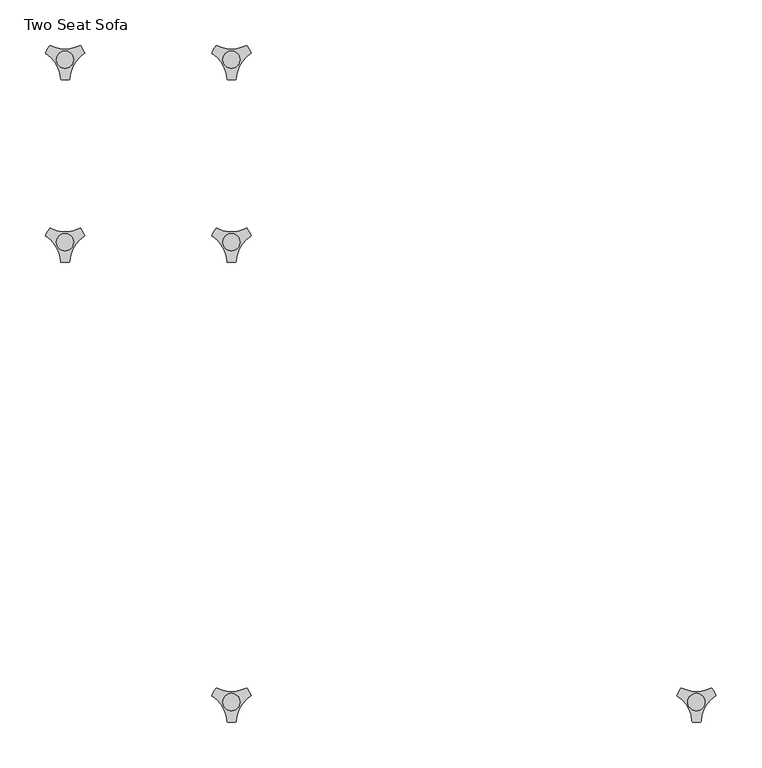
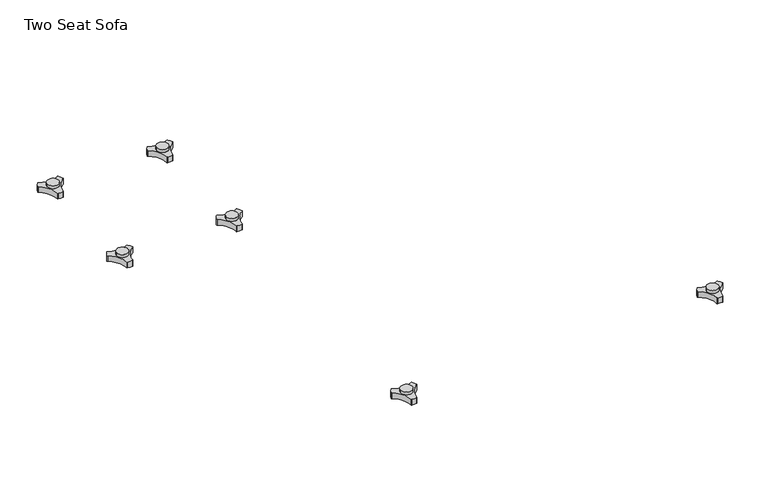
"""IFC4 building model written with IfcOpenShell, lengths in millimetres: furniture geometry, Two Seat Sofa."""

from ifc_helpers import new_model, si_unit, frame, origin, place, context, project, spatial, polyline, circle_curve, source, transform, mapped, element, save
from ifc_brep_helpers import plane_surface, cylinder_surface, revolved_surface, advanced_brep


def two_seat_sofa_53b7d27d(model_context):
    return source(origin(), model_context, "Body", "AdvancedBrep", [
        advanced_brep(
        [(883.5433829, -633.9963447, 98.611642), (879.3207947, -641.3100819, 98.611642), (879.7187435, -642.4761133, 98.611642), (895.5380143, -669.8758983, 98.611642), (896.3488478, -670.8035397, 98.611642), (904.7940264, -670.8035397, 98.611642), (905.5985546, -669.7137583, 98.611642), (921.7008076, -642.2119553, 98.611642), (921.8220847, -641.3100836, 98.611642), (917.5994947, -633.9963432, 98.611642), (916.3907113, -633.7579584, 98.611642), (884.7521628, -633.7579584, 98.611642), (909.9443136, -648.9168654, 98.611642), (891.0393017, -648.9168654, 98.611642), (883.5433829, -633.9963447, 88.6531552), (884.7521628, -633.7579584, 88.6531552), (916.3907113, -633.7579584, 88.6531552), (917.5994947, -633.9963432, 88.6531552), (921.8220847, -641.3100836, 88.6531552), (921.7008076, -642.2119553, 88.6531552), (905.5985546, -669.7137583, 88.6531552), (904.7940264, -670.8035397, 88.6531552), (896.3488478, -670.8035397, 88.6531552), (895.5380143, -669.8758983, 88.6531552), (879.7187435, -642.4761133, 88.6531552), (879.3207947, -641.3100819, 88.6531552), (891.0393017, -648.9168654, 103.6569541), (909.9443136, -648.9168654, 103.6569541)],
        [
            (0, 1, circle_curve(frame((901.8028709, -649.4142898, 98.611642), z_axis=(0.0, 0.0, 1.0), x_axis=(1.0, 0.0, 0.0)), 23.8981576)),
            (1, 2, circle_curve(frame((880.2483533, -641.6444428, 98.611642), z_axis=(0.0, 0.0, 1.0), x_axis=(1.0, 0.0, 0.0)), 0.9859828)),
            (2, 3, circle_curve(frame((861.3233736, -671.3632053, 98.611642), z_axis=(0.0, 0.0, -1.0), x_axis=(1.0, 0.0, 0.0)), 34.246952)),
            (3, 4, circle_curve(frame((896.5230576, -669.8330785, 98.611642), z_axis=(0.0, 0.0, 1.0), x_axis=(1.0, 0.0, 0.0)), 0.9859736)),
            (4, 5, circle_curve(frame((900.5714371, -647.2809943, 98.611642), z_axis=(0.0, 0.0, 1.0), x_axis=(1.0, 0.0, 0.0)), 23.8985439)),
            (5, 6, circle_curve(frame((904.6198145, -669.8330671, 98.611642), z_axis=(0.0, 0.0, 1.0), x_axis=(1.0, 0.0, 0.0)), 0.9859852)),
            (6, 7, circle_curve(frame((939.8202282, -671.285662, 98.611642), z_axis=(0.0, 0.0, -1.0), x_axis=(1.0, 0.0, 0.0)), 34.2577557)),
            (7, 8, circle_curve(frame((920.8945232, -641.644442, 98.611642), z_axis=(0.0, 0.0, 1.0), x_axis=(1.0, 0.0, 0.0)), 0.9859847)),
            (8, 9, circle_curve(frame((899.3403943, -649.4140667, 98.611642), z_axis=(0.0, 0.0, 1.0), x_axis=(1.0, 0.0, 0.0)), 23.8977184)),
            (9, 10, circle_curve(frame((916.8461485, -634.632458, 98.611642), z_axis=(0.0, 0.0, 1.0), x_axis=(1.0, 0.0, 0.0)), 0.9859881)),
            (10, 11, circle_curve(frame((900.5714371, -603.3828618, 98.611642), z_axis=(0.0, 0.0, -1.0), x_axis=(1.0, 0.0, 0.0)), 34.2475683)),
            (11, 0, circle_curve(frame((884.2967278, -634.632454, 98.611642), z_axis=(0.0, 0.0, 1.0), x_axis=(1.0, 0.0, 0.0)), 0.9859835)),
            (12, 13, circle_curve(frame((900.4918076, -648.9168654, 98.611642), z_axis=(0.0, 0.0, -1.0), x_axis=(1.0, 0.0, 0.0)), 9.452506)),
            (13, 12, circle_curve(frame((900.4918076, -648.9168654, 98.611642), z_axis=(0.0, 0.0, -1.0), x_axis=(1.0, 0.0, 0.0)), 9.452506)),
            (14, 15, circle_curve(frame((884.2967278, -634.632454, 88.6531552), z_axis=(0.0, 0.0, -1.0), x_axis=(1.0, 0.0, 0.0)), 0.9859835)),
            (15, 16, circle_curve(frame((900.5714371, -603.3828618, 88.6531552), z_axis=(0.0, 0.0, 1.0), x_axis=(1.0, 0.0, 0.0)), 34.2475683)),
            (16, 17, circle_curve(frame((916.8461485, -634.632458, 88.6531552), z_axis=(0.0, 0.0, -1.0), x_axis=(1.0, 0.0, 0.0)), 0.9859881)),
            (17, 18, circle_curve(frame((899.3403943, -649.4140667, 88.6531552), z_axis=(0.0, 0.0, -1.0), x_axis=(1.0, 0.0, 0.0)), 23.8977184)),
            (18, 19, circle_curve(frame((920.8945232, -641.644442, 88.6531552), z_axis=(0.0, 0.0, -1.0), x_axis=(1.0, 0.0, 0.0)), 0.9859847)),
            (19, 20, circle_curve(frame((939.8202282, -671.285662, 88.6531552), z_axis=(0.0, 0.0, 1.0), x_axis=(1.0, 0.0, 0.0)), 34.2577557)),
            (20, 21, circle_curve(frame((904.6198145, -669.8330671, 88.6531552), z_axis=(0.0, 0.0, -1.0), x_axis=(1.0, 0.0, 0.0)), 0.9859852)),
            (21, 22, circle_curve(frame((900.5714371, -647.2809943, 88.6531552), z_axis=(0.0, 0.0, -1.0), x_axis=(1.0, 0.0, 0.0)), 23.8985439)),
            (22, 23, circle_curve(frame((896.5230576, -669.8330785, 88.6531552), z_axis=(0.0, 0.0, -1.0), x_axis=(1.0, 0.0, 0.0)), 0.9859736)),
            (23, 24, circle_curve(frame((861.3233736, -671.3632053, 88.6531552), z_axis=(0.0, 0.0, 1.0), x_axis=(1.0, 0.0, 0.0)), 34.246952)),
            (24, 25, circle_curve(frame((880.2483533, -641.6444428, 88.6531552), z_axis=(0.0, 0.0, -1.0), x_axis=(1.0, 0.0, 0.0)), 0.9859828)),
            (25, 14, circle_curve(frame((901.8028709, -649.4142898, 88.6531552), z_axis=(0.0, 0.0, -1.0), x_axis=(1.0, 0.0, 0.0)), 23.8981576)),
            (26, 27, circle_curve(frame((900.4918076, -648.9168654, 103.6569541), z_axis=(0.0, 0.0, 1.0), x_axis=(1.0, 0.0, 0.0)), 9.452506)),
            (27, 26, circle_curve(frame((900.4918076, -648.9168654, 103.6569541), z_axis=(0.0, 0.0, 1.0), x_axis=(1.0, 0.0, 0.0)), 9.452506)),
            (0, 14),
            (25, 1),
            (24, 2),
            (23, 3),
            (22, 4),
            (21, 5),
            (20, 6),
            (19, 7),
            (18, 8),
            (17, 9),
            (16, 10),
            (15, 11),
            (26, 13),
            (12, 27),
        ],
        [
            plane_surface(frame((925.7010285, -649.4142898, 98.611642), z_axis=(0.0, 0.0, 1.0), x_axis=(0.0, 1.0, 0.0))),
            plane_surface(frame((925.7010285, -649.4142898, 88.6531552), z_axis=(0.0, 0.0, -1.0), x_axis=(0.0, -1.0, 0.0))),
            plane_surface(frame((909.9443136, -648.9168654, 103.6569541), z_axis=(0.0, 0.0, 1.0), x_axis=(0.0, 1.0, 0.0))),
            cylinder_surface(frame((901.8028709, -649.4142898, 88.6531552), z_axis=(0.0, 0.0, 1.0), x_axis=(1.0, 0.0, 0.0)), 23.8981576),
            cylinder_surface(frame((880.2483533, -641.6444428, 88.6531552), z_axis=(0.0, 0.0, 1.0), x_axis=(1.0, 0.0, 0.0)), 0.9859828),
            revolved_surface(polyline([(895.5703255999999, -671.3632053, 88.6531552), (895.5703255999999, -671.3632053, 98.611642)]), (861.3233736, -671.3632053, 88.6531552), (0.0, 0.0, -1.0)),
            cylinder_surface(frame((896.5230576, -669.8330785, 88.6531552), z_axis=(0.0, 0.0, 1.0), x_axis=(1.0, 0.0, 0.0)), 0.9859736),
            cylinder_surface(frame((900.5714371, -647.2809943, 88.6531552), z_axis=(0.0, 0.0, 1.0), x_axis=(1.0, 0.0, 0.0)), 23.8985439),
            cylinder_surface(frame((904.6198145, -669.8330671, 88.6531552), z_axis=(0.0, 0.0, 1.0), x_axis=(1.0, 0.0, 0.0)), 0.9859852),
            revolved_surface(polyline([(974.0779838999999, -671.285662, 88.6531552), (974.0779838999999, -671.285662, 98.611642)]), (939.8202282, -671.285662, 88.6531552), (0.0, 0.0, -1.0)),
            cylinder_surface(frame((920.8945232, -641.644442, 88.6531552), z_axis=(0.0, 0.0, 1.0), x_axis=(1.0, 0.0, 0.0)), 0.9859847),
            cylinder_surface(frame((899.3403943, -649.4140667, 88.6531552), z_axis=(0.0, 0.0, 1.0), x_axis=(1.0, 0.0, 0.0)), 23.8977184),
            cylinder_surface(frame((916.8461485, -634.632458, 88.6531552), z_axis=(0.0, 0.0, 1.0), x_axis=(1.0, 0.0, 0.0)), 0.9859881),
            revolved_surface(polyline([(934.8190054, -603.3828618, 88.6531552), (934.8190054, -603.3828618, 98.611642)]), (900.5714371, -603.3828618, 88.6531552), (0.0, 0.0, -1.0)),
            cylinder_surface(frame((884.2967278, -634.632454, 88.6531552), z_axis=(0.0, 0.0, 1.0), x_axis=(1.0, 0.0, 0.0)), 0.9859835),
            cylinder_surface(frame((900.4918076, -648.9168654, 98.611642), z_axis=(0.0, 0.0, 1.0), x_axis=(1.0, 0.0, 0.0)), 9.452506),
        ],
        [
            (0, [[1, 2, 3, 4, 5, 6, 7, 8, 9, 10, 11, 12], [13, 14]]),
            (1, [[15, 16, 17, 18, 19, 20, 21, 22, 23, 24, 25, 26]]),
            (2, [[27, 28]]),
            (3, [[-1, 29, -26, 30]]),
            (4, [[-2, -30, -25, 31]]),
            (5, [[-3, -31, -24, 32]]),
            (6, [[-4, -32, -23, 33]]),
            (7, [[-5, -33, -22, 34]]),
            (8, [[-6, -34, -21, 35]]),
            (9, [[-7, -35, -20, 36]]),
            (10, [[-8, -36, -19, 37]]),
            (11, [[-9, -37, -18, 38]]),
            (12, [[-10, -38, -17, 39]]),
            (13, [[-11, -39, -16, 40]]),
            (14, [[-12, -40, -15, -29]]),
            (15, [[-27, 41, -13, 42]]),
            (15, [[-28, -42, -14, -41]]),
        ],
    ),
        advanced_brep(
        [(373.838792, -633.9963447, 98.611642), (369.6162038, -641.3100819, 98.611642), (370.0141527, -642.4761133, 98.611642), (385.8334234, -669.8758983, 98.611642), (386.6442569, -670.8035397, 98.611642), (395.0894355, -670.8035397, 98.611642), (395.8939637, -669.7137583, 98.611642), (411.9962168, -642.2119553, 98.611642), (412.1174938, -641.3100836, 98.611642), (407.8949039, -633.9963432, 98.611642), (406.6861204, -633.7579584, 98.611642), (375.047572, -633.7579584, 98.611642), (400.2397227, -648.9168654, 98.611642), (381.3347108, -648.9168654, 98.611642), (373.838792, -633.9963447, 88.6531552), (375.047572, -633.7579584, 88.6531552), (406.6861204, -633.7579584, 88.6531552), (407.8949039, -633.9963432, 88.6531552), (412.1174938, -641.3100836, 88.6531552), (411.9962168, -642.2119553, 88.6531552), (395.8939637, -669.7137583, 88.6531552), (395.0894355, -670.8035397, 88.6531552), (386.6442569, -670.8035397, 88.6531552), (385.8334234, -669.8758983, 88.6531552), (370.0141527, -642.4761133, 88.6531552), (369.6162038, -641.3100819, 88.6531552), (381.3347108, -648.9168654, 103.6569541), (400.2397227, -648.9168654, 103.6569541)],
        [
            (0, 1, circle_curve(frame((392.09828, -649.4142898, 98.611642), z_axis=(0.0, 0.0, 1.0), x_axis=(1.0, 0.0, 0.0)), 23.8981576)),
            (1, 2, circle_curve(frame((370.5437624, -641.6444428, 98.611642), z_axis=(0.0, 0.0, 1.0), x_axis=(1.0, 0.0, 0.0)), 0.9859828)),
            (2, 3, circle_curve(frame((351.6187827, -671.3632053, 98.611642), z_axis=(0.0, 0.0, -1.0), x_axis=(1.0, 0.0, 0.0)), 34.246952)),
            (3, 4, circle_curve(frame((386.8184668, -669.8330785, 98.611642), z_axis=(0.0, 0.0, 1.0), x_axis=(1.0, 0.0, 0.0)), 0.9859736)),
            (4, 5, circle_curve(frame((390.8668462, -647.2809943, 98.611642), z_axis=(0.0, 0.0, 1.0), x_axis=(1.0, 0.0, 0.0)), 23.8985439)),
            (5, 6, circle_curve(frame((394.9152236, -669.8330671, 98.611642), z_axis=(0.0, 0.0, 1.0), x_axis=(1.0, 0.0, 0.0)), 0.9859852)),
            (6, 7, circle_curve(frame((430.1156373, -671.285662, 98.611642), z_axis=(0.0, 0.0, -1.0), x_axis=(1.0, 0.0, 0.0)), 34.2577557)),
            (7, 8, circle_curve(frame((411.1899324, -641.644442, 98.611642), z_axis=(0.0, 0.0, 1.0), x_axis=(1.0, 0.0, 0.0)), 0.9859847)),
            (8, 9, circle_curve(frame((389.6358034, -649.4140667, 98.611642), z_axis=(0.0, 0.0, 1.0), x_axis=(1.0, 0.0, 0.0)), 23.8977184)),
            (9, 10, circle_curve(frame((407.1415576, -634.632458, 98.611642), z_axis=(0.0, 0.0, 1.0), x_axis=(1.0, 0.0, 0.0)), 0.9859881)),
            (10, 11, circle_curve(frame((390.8668462, -603.3828618, 98.611642), z_axis=(0.0, 0.0, -1.0), x_axis=(1.0, 0.0, 0.0)), 34.2475683)),
            (11, 0, circle_curve(frame((374.5921369, -634.632454, 98.611642), z_axis=(0.0, 0.0, 1.0), x_axis=(1.0, 0.0, 0.0)), 0.9859835)),
            (12, 13, circle_curve(frame((390.7872168, -648.9168654, 98.611642), z_axis=(0.0, 0.0, -1.0), x_axis=(1.0, 0.0, 0.0)), 9.452506)),
            (13, 12, circle_curve(frame((390.7872168, -648.9168654, 98.611642), z_axis=(0.0, 0.0, -1.0), x_axis=(1.0, 0.0, 0.0)), 9.452506)),
            (14, 15, circle_curve(frame((374.5921369, -634.632454, 88.6531552), z_axis=(0.0, 0.0, -1.0), x_axis=(1.0, 0.0, 0.0)), 0.9859835)),
            (15, 16, circle_curve(frame((390.8668462, -603.3828618, 88.6531552), z_axis=(0.0, 0.0, 1.0), x_axis=(1.0, 0.0, 0.0)), 34.2475683)),
            (16, 17, circle_curve(frame((407.1415576, -634.632458, 88.6531552), z_axis=(0.0, 0.0, -1.0), x_axis=(1.0, 0.0, 0.0)), 0.9859881)),
            (17, 18, circle_curve(frame((389.6358034, -649.4140667, 88.6531552), z_axis=(0.0, 0.0, -1.0), x_axis=(1.0, 0.0, 0.0)), 23.8977184)),
            (18, 19, circle_curve(frame((411.1899324, -641.644442, 88.6531552), z_axis=(0.0, 0.0, -1.0), x_axis=(1.0, 0.0, 0.0)), 0.9859847)),
            (19, 20, circle_curve(frame((430.1156373, -671.285662, 88.6531552), z_axis=(0.0, 0.0, 1.0), x_axis=(1.0, 0.0, 0.0)), 34.2577557)),
            (20, 21, circle_curve(frame((394.9152236, -669.8330671, 88.6531552), z_axis=(0.0, 0.0, -1.0), x_axis=(1.0, 0.0, 0.0)), 0.9859852)),
            (21, 22, circle_curve(frame((390.8668462, -647.2809943, 88.6531552), z_axis=(0.0, 0.0, -1.0), x_axis=(1.0, 0.0, 0.0)), 23.8985439)),
            (22, 23, circle_curve(frame((386.8184668, -669.8330785, 88.6531552), z_axis=(0.0, 0.0, -1.0), x_axis=(1.0, 0.0, 0.0)), 0.9859736)),
            (23, 24, circle_curve(frame((351.6187827, -671.3632053, 88.6531552), z_axis=(0.0, 0.0, 1.0), x_axis=(1.0, 0.0, 0.0)), 34.246952)),
            (24, 25, circle_curve(frame((370.5437624, -641.6444428, 88.6531552), z_axis=(0.0, 0.0, -1.0), x_axis=(1.0, 0.0, 0.0)), 0.9859828)),
            (25, 14, circle_curve(frame((392.09828, -649.4142898, 88.6531552), z_axis=(0.0, 0.0, -1.0), x_axis=(1.0, 0.0, 0.0)), 23.8981576)),
            (26, 27, circle_curve(frame((390.7872168, -648.9168654, 103.6569541), z_axis=(0.0, 0.0, 1.0), x_axis=(1.0, 0.0, 0.0)), 9.452506)),
            (27, 26, circle_curve(frame((390.7872168, -648.9168654, 103.6569541), z_axis=(0.0, 0.0, 1.0), x_axis=(1.0, 0.0, 0.0)), 9.452506)),
            (0, 14),
            (25, 1),
            (24, 2),
            (23, 3),
            (22, 4),
            (21, 5),
            (20, 6),
            (19, 7),
            (18, 8),
            (17, 9),
            (16, 10),
            (15, 11),
            (26, 13),
            (12, 27),
        ],
        [
            plane_surface(frame((415.9964377, -649.4142898, 98.611642), z_axis=(0.0, 0.0, 1.0), x_axis=(0.0, 1.0, 0.0))),
            plane_surface(frame((415.9964377, -649.4142898, 88.6531552), z_axis=(0.0, 0.0, -1.0), x_axis=(0.0, -1.0, 0.0))),
            plane_surface(frame((400.2397227, -648.9168654, 103.6569541), z_axis=(0.0, 0.0, 1.0), x_axis=(0.0, 1.0, 0.0))),
            cylinder_surface(frame((392.09828, -649.4142898, 88.6531552), z_axis=(0.0, 0.0, 1.0), x_axis=(1.0, 0.0, 0.0)), 23.8981576),
            cylinder_surface(frame((370.5437624, -641.6444428, 88.6531552), z_axis=(0.0, 0.0, 1.0), x_axis=(1.0, 0.0, 0.0)), 0.9859828),
            revolved_surface(polyline([(385.8657347, -671.3632053, 88.6531552), (385.8657347, -671.3632053, 98.611642)]), (351.6187827, -671.3632053, 88.6531552), (0.0, 0.0, -1.0)),
            cylinder_surface(frame((386.8184668, -669.8330785, 88.6531552), z_axis=(0.0, 0.0, 1.0), x_axis=(1.0, 0.0, 0.0)), 0.9859736),
            cylinder_surface(frame((390.8668462, -647.2809943, 88.6531552), z_axis=(0.0, 0.0, 1.0), x_axis=(1.0, 0.0, 0.0)), 23.8985439),
            cylinder_surface(frame((394.9152236, -669.8330671, 88.6531552), z_axis=(0.0, 0.0, 1.0), x_axis=(1.0, 0.0, 0.0)), 0.9859852),
            revolved_surface(polyline([(464.373393, -671.285662, 88.6531552), (464.373393, -671.285662, 98.611642)]), (430.1156373, -671.285662, 88.6531552), (0.0, 0.0, -1.0)),
            cylinder_surface(frame((411.1899324, -641.644442, 88.6531552), z_axis=(0.0, 0.0, 1.0), x_axis=(1.0, 0.0, 0.0)), 0.9859847),
            cylinder_surface(frame((389.6358034, -649.4140667, 88.6531552), z_axis=(0.0, 0.0, 1.0), x_axis=(1.0, 0.0, 0.0)), 23.8977184),
            cylinder_surface(frame((407.1415576, -634.632458, 88.6531552), z_axis=(0.0, 0.0, 1.0), x_axis=(1.0, 0.0, 0.0)), 0.9859881),
            revolved_surface(polyline([(425.1144145, -603.3828618, 88.6531552), (425.1144145, -603.3828618, 98.611642)]), (390.8668462, -603.3828618, 88.6531552), (0.0, 0.0, -1.0)),
            cylinder_surface(frame((374.5921369, -634.632454, 88.6531552), z_axis=(0.0, 0.0, 1.0), x_axis=(1.0, 0.0, 0.0)), 0.9859835),
            cylinder_surface(frame((390.7872168, -648.9168654, 98.611642), z_axis=(0.0, 0.0, 1.0), x_axis=(1.0, 0.0, 0.0)), 9.452506),
        ],
        [
            (0, [[1, 2, 3, 4, 5, 6, 7, 8, 9, 10, 11, 12], [13, 14]]),
            (1, [[15, 16, 17, 18, 19, 20, 21, 22, 23, 24, 25, 26]]),
            (2, [[27, 28]]),
            (3, [[-1, 29, -26, 30]]),
            (4, [[-2, -30, -25, 31]]),
            (5, [[-3, -31, -24, 32]]),
            (6, [[-4, -32, -23, 33]]),
            (7, [[-5, -33, -22, 34]]),
            (8, [[-6, -34, -21, 35]]),
            (9, [[-7, -35, -20, 36]]),
            (10, [[-8, -36, -19, 37]]),
            (11, [[-9, -37, -18, 38]]),
            (12, [[-10, -38, -17, 39]]),
            (13, [[-11, -39, -16, 40]]),
            (14, [[-12, -40, -15, -29]]),
            (15, [[-27, 41, -13, 42]]),
            (15, [[-28, -42, -14, -41]]),
        ],
    ),
        advanced_brep(
        [(373.838792, -130.2721038, 98.611642), (369.6162038, -137.585841, 98.611642), (370.0141527, -138.7518724, 98.611642), (385.8334234, -166.1516574, 98.611642), (386.6442569, -167.0792988, 98.611642), (395.0894355, -167.0792988, 98.611642), (395.8939637, -165.9895174, 98.611642), (411.9962168, -138.4877144, 98.611642), (412.1174938, -137.5858427, 98.611642), (407.8949039, -130.2721023, 98.611642), (406.6861204, -130.0337175, 98.611642), (375.047572, -130.0337175, 98.611642), (400.2397227, -145.1926245, 98.611642), (381.3347108, -145.1926245, 98.611642), (373.838792, -130.2721038, 88.6531552), (375.047572, -130.0337175, 88.6531552), (406.6861204, -130.0337175, 88.6531552), (407.8949039, -130.2721023, 88.6531552), (412.1174938, -137.5858427, 88.6531552), (411.9962168, -138.4877144, 88.6531552), (395.8939637, -165.9895174, 88.6531552), (395.0894355, -167.0792988, 88.6531552), (386.6442569, -167.0792988, 88.6531552), (385.8334234, -166.1516574, 88.6531552), (370.0141527, -138.7518724, 88.6531552), (369.6162038, -137.585841, 88.6531552), (381.3347108, -145.1926245, 103.6569541), (400.2397227, -145.1926245, 103.6569541)],
        [
            (0, 1, circle_curve(frame((392.09828, -145.690049, 98.611642), z_axis=(0.0, 0.0, 1.0), x_axis=(1.0, 0.0, 0.0)), 23.8981576)),
            (1, 2, circle_curve(frame((370.5437624, -137.920202, 98.611642), z_axis=(0.0, 0.0, 1.0), x_axis=(1.0, 0.0, 0.0)), 0.9859828)),
            (2, 3, circle_curve(frame((351.6187827, -167.6389644, 98.611642), z_axis=(0.0, 0.0, -1.0), x_axis=(1.0, 0.0, 0.0)), 34.246952)),
            (3, 4, circle_curve(frame((386.8184668, -166.1088376, 98.611642), z_axis=(0.0, 0.0, 1.0), x_axis=(1.0, 0.0, 0.0)), 0.9859736)),
            (4, 5, circle_curve(frame((390.8668462, -143.5567534, 98.611642), z_axis=(0.0, 0.0, 1.0), x_axis=(1.0, 0.0, 0.0)), 23.8985439)),
            (5, 6, circle_curve(frame((394.9152236, -166.1088262, 98.611642), z_axis=(0.0, 0.0, 1.0), x_axis=(1.0, 0.0, 0.0)), 0.9859852)),
            (6, 7, circle_curve(frame((430.1156373, -167.5614211, 98.611642), z_axis=(0.0, 0.0, -1.0), x_axis=(1.0, 0.0, 0.0)), 34.2577557)),
            (7, 8, circle_curve(frame((411.1899324, -137.9202011, 98.611642), z_axis=(0.0, 0.0, 1.0), x_axis=(1.0, 0.0, 0.0)), 0.9859847)),
            (8, 9, circle_curve(frame((389.6358034, -145.6898258, 98.611642), z_axis=(0.0, 0.0, 1.0), x_axis=(1.0, 0.0, 0.0)), 23.8977184)),
            (9, 10, circle_curve(frame((407.1415576, -130.9082171, 98.611642), z_axis=(0.0, 0.0, 1.0), x_axis=(1.0, 0.0, 0.0)), 0.9859881)),
            (10, 11, circle_curve(frame((390.8668462, -99.6586209, 98.611642), z_axis=(0.0, 0.0, -1.0), x_axis=(1.0, 0.0, 0.0)), 34.2475683)),
            (11, 0, circle_curve(frame((374.5921369, -130.9082131, 98.611642), z_axis=(0.0, 0.0, 1.0), x_axis=(1.0, 0.0, 0.0)), 0.9859835)),
            (12, 13, circle_curve(frame((390.7872168, -145.1926245, 98.611642), z_axis=(0.0, 0.0, -1.0), x_axis=(1.0, 0.0, 0.0)), 9.452506)),
            (13, 12, circle_curve(frame((390.7872168, -145.1926245, 98.611642), z_axis=(0.0, 0.0, -1.0), x_axis=(1.0, 0.0, 0.0)), 9.452506)),
            (14, 15, circle_curve(frame((374.5921369, -130.9082131, 88.6531552), z_axis=(0.0, 0.0, -1.0), x_axis=(1.0, 0.0, 0.0)), 0.9859835)),
            (15, 16, circle_curve(frame((390.8668462, -99.6586209, 88.6531552), z_axis=(0.0, 0.0, 1.0), x_axis=(1.0, 0.0, 0.0)), 34.2475683)),
            (16, 17, circle_curve(frame((407.1415576, -130.9082171, 88.6531552), z_axis=(0.0, 0.0, -1.0), x_axis=(1.0, 0.0, 0.0)), 0.9859881)),
            (17, 18, circle_curve(frame((389.6358034, -145.6898258, 88.6531552), z_axis=(0.0, 0.0, -1.0), x_axis=(1.0, 0.0, 0.0)), 23.8977184)),
            (18, 19, circle_curve(frame((411.1899324, -137.9202011, 88.6531552), z_axis=(0.0, 0.0, -1.0), x_axis=(1.0, 0.0, 0.0)), 0.9859847)),
            (19, 20, circle_curve(frame((430.1156373, -167.5614211, 88.6531552), z_axis=(0.0, 0.0, 1.0), x_axis=(1.0, 0.0, 0.0)), 34.2577557)),
            (20, 21, circle_curve(frame((394.9152236, -166.1088262, 88.6531552), z_axis=(0.0, 0.0, -1.0), x_axis=(1.0, 0.0, 0.0)), 0.9859852)),
            (21, 22, circle_curve(frame((390.8668462, -143.5567534, 88.6531552), z_axis=(0.0, 0.0, -1.0), x_axis=(1.0, 0.0, 0.0)), 23.8985439)),
            (22, 23, circle_curve(frame((386.8184668, -166.1088376, 88.6531552), z_axis=(0.0, 0.0, -1.0), x_axis=(1.0, 0.0, 0.0)), 0.9859736)),
            (23, 24, circle_curve(frame((351.6187827, -167.6389644, 88.6531552), z_axis=(0.0, 0.0, 1.0), x_axis=(1.0, 0.0, 0.0)), 34.246952)),
            (24, 25, circle_curve(frame((370.5437624, -137.920202, 88.6531552), z_axis=(0.0, 0.0, -1.0), x_axis=(1.0, 0.0, 0.0)), 0.9859828)),
            (25, 14, circle_curve(frame((392.09828, -145.690049, 88.6531552), z_axis=(0.0, 0.0, -1.0), x_axis=(1.0, 0.0, 0.0)), 23.8981576)),
            (26, 27, circle_curve(frame((390.7872168, -145.1926245, 103.6569541), z_axis=(0.0, 0.0, 1.0), x_axis=(1.0, 0.0, 0.0)), 9.452506)),
            (27, 26, circle_curve(frame((390.7872168, -145.1926245, 103.6569541), z_axis=(0.0, 0.0, 1.0), x_axis=(1.0, 0.0, 0.0)), 9.452506)),
            (0, 14),
            (25, 1),
            (24, 2),
            (23, 3),
            (22, 4),
            (21, 5),
            (20, 6),
            (19, 7),
            (18, 8),
            (17, 9),
            (16, 10),
            (15, 11),
            (26, 13),
            (12, 27),
        ],
        [
            plane_surface(frame((415.9964377, -145.690049, 98.611642), z_axis=(0.0, 0.0, 1.0), x_axis=(0.0, 1.0, 0.0))),
            plane_surface(frame((415.9964377, -145.690049, 88.6531552), z_axis=(0.0, 0.0, -1.0), x_axis=(0.0, -1.0, 0.0))),
            plane_surface(frame((400.2397227, -145.1926245, 103.6569541), z_axis=(0.0, 0.0, 1.0), x_axis=(0.0, 1.0, 0.0))),
            cylinder_surface(frame((392.09828, -145.690049, 88.6531552), z_axis=(0.0, 0.0, 1.0), x_axis=(1.0, 0.0, 0.0)), 23.8981576),
            cylinder_surface(frame((370.5437624, -137.920202, 88.6531552), z_axis=(0.0, 0.0, 1.0), x_axis=(1.0, 0.0, 0.0)), 0.9859828),
            revolved_surface(polyline([(385.8657347, -167.6389644, 88.6531552), (385.8657347, -167.6389644, 98.611642)]), (351.6187827, -167.6389644, 88.6531552), (0.0, 0.0, -1.0)),
            cylinder_surface(frame((386.8184668, -166.1088376, 88.6531552), z_axis=(0.0, 0.0, 1.0), x_axis=(1.0, 0.0, 0.0)), 0.9859736),
            cylinder_surface(frame((390.8668462, -143.5567534, 88.6531552), z_axis=(0.0, 0.0, 1.0), x_axis=(1.0, 0.0, 0.0)), 23.8985439),
            cylinder_surface(frame((394.9152236, -166.1088262, 88.6531552), z_axis=(0.0, 0.0, 1.0), x_axis=(1.0, 0.0, 0.0)), 0.9859852),
            revolved_surface(polyline([(464.373393, -167.5614211, 88.6531552), (464.373393, -167.5614211, 98.611642)]), (430.1156373, -167.5614211, 88.6531552), (0.0, 0.0, -1.0)),
            cylinder_surface(frame((411.1899324, -137.9202011, 88.6531552), z_axis=(0.0, 0.0, 1.0), x_axis=(1.0, 0.0, 0.0)), 0.9859847),
            cylinder_surface(frame((389.6358034, -145.6898258, 88.6531552), z_axis=(0.0, 0.0, 1.0), x_axis=(1.0, 0.0, 0.0)), 23.8977184),
            cylinder_surface(frame((407.1415576, -130.9082171, 88.6531552), z_axis=(0.0, 0.0, 1.0), x_axis=(1.0, 0.0, 0.0)), 0.9859881),
            revolved_surface(polyline([(425.1144145, -99.6586209, 88.6531552), (425.1144145, -99.6586209, 98.611642)]), (390.8668462, -99.6586209, 88.6531552), (0.0, 0.0, -1.0)),
            cylinder_surface(frame((374.5921369, -130.9082131, 88.6531552), z_axis=(0.0, 0.0, 1.0), x_axis=(1.0, 0.0, 0.0)), 0.9859835),
            cylinder_surface(frame((390.7872168, -145.1926245, 98.611642), z_axis=(0.0, 0.0, 1.0), x_axis=(1.0, 0.0, 0.0)), 9.452506),
        ],
        [
            (0, [[1, 2, 3, 4, 5, 6, 7, 8, 9, 10, 11, 12], [13, 14]]),
            (1, [[15, 16, 17, 18, 19, 20, 21, 22, 23, 24, 25, 26]]),
            (2, [[27, 28]]),
            (3, [[-1, 29, -26, 30]]),
            (4, [[-2, -30, -25, 31]]),
            (5, [[-3, -31, -24, 32]]),
            (6, [[-4, -32, -23, 33]]),
            (7, [[-5, -33, -22, 34]]),
            (8, [[-6, -34, -21, 35]]),
            (9, [[-7, -35, -20, 36]]),
            (10, [[-8, -36, -19, 37]]),
            (11, [[-9, -37, -18, 38]]),
            (12, [[-10, -38, -17, 39]]),
            (13, [[-11, -39, -16, 40]]),
            (14, [[-12, -40, -15, -29]]),
            (15, [[-27, 41, -13, 42]]),
            (15, [[-28, -42, -14, -41]]),
        ],
    ),
        advanced_brep(
        [(373.838792, 69.7278978, 98.611642), (369.6162038, 62.4141605, 98.611642), (370.0141527, 61.2481292, 98.611642), (385.8334234, 33.8483441, 98.611642), (386.6442569, 32.9207027, 98.611642), (395.0894355, 32.9207027, 98.611642), (395.8939637, 34.0104841, 98.611642), (411.9962168, 61.5122871, 98.611642), (412.1174938, 62.4141588, 98.611642), (407.8949039, 69.7278992, 98.611642), (406.6861204, 69.966284, 98.611642), (375.047572, 69.966284, 98.611642), (400.2397227, 54.807377, 98.611642), (381.3347108, 54.807377, 98.611642), (373.838792, 69.7278978, 88.6531552), (375.047572, 69.966284, 88.6531552), (406.6861204, 69.966284, 88.6531552), (407.8949039, 69.7278992, 88.6531552), (412.1174938, 62.4141588, 88.6531552), (411.9962168, 61.5122871, 88.6531552), (395.8939637, 34.0104841, 88.6531552), (395.0894355, 32.9207027, 88.6531552), (386.6442569, 32.9207027, 88.6531552), (385.8334234, 33.8483441, 88.6531552), (370.0141527, 61.2481292, 88.6531552), (369.6162038, 62.4141605, 88.6531552), (381.3347108, 54.807377, 103.6569541), (400.2397227, 54.807377, 103.6569541)],
        [
            (0, 1, circle_curve(frame((392.09828, 54.3099526, 98.611642), z_axis=(0.0, 0.0, 1.0), x_axis=(1.0, 0.0, 0.0)), 23.8981576)),
            (1, 2, circle_curve(frame((370.5437624, 62.0797996, 98.611642), z_axis=(0.0, 0.0, 1.0), x_axis=(1.0, 0.0, 0.0)), 0.9859828)),
            (2, 3, circle_curve(frame((351.6187827, 32.3610372, 98.611642), z_axis=(0.0, 0.0, -1.0), x_axis=(1.0, 0.0, 0.0)), 34.246952)),
            (3, 4, circle_curve(frame((386.8184668, 33.8911639, 98.611642), z_axis=(0.0, 0.0, 1.0), x_axis=(1.0, 0.0, 0.0)), 0.9859736)),
            (4, 5, circle_curve(frame((390.8668462, 56.4432481, 98.611642), z_axis=(0.0, 0.0, 1.0), x_axis=(1.0, 0.0, 0.0)), 23.8985439)),
            (5, 6, circle_curve(frame((394.9152236, 33.8911753, 98.611642), z_axis=(0.0, 0.0, 1.0), x_axis=(1.0, 0.0, 0.0)), 0.9859852)),
            (6, 7, circle_curve(frame((430.1156373, 32.4385804, 98.611642), z_axis=(0.0, 0.0, -1.0), x_axis=(1.0, 0.0, 0.0)), 34.2577557)),
            (7, 8, circle_curve(frame((411.1899324, 62.0798004, 98.611642), z_axis=(0.0, 0.0, 1.0), x_axis=(1.0, 0.0, 0.0)), 0.9859847)),
            (8, 9, circle_curve(frame((389.6358034, 54.3101757, 98.611642), z_axis=(0.0, 0.0, 1.0), x_axis=(1.0, 0.0, 0.0)), 23.8977184)),
            (9, 10, circle_curve(frame((407.1415576, 69.0917844, 98.611642), z_axis=(0.0, 0.0, 1.0), x_axis=(1.0, 0.0, 0.0)), 0.9859881)),
            (10, 11, circle_curve(frame((390.8668462, 100.3413806, 98.611642), z_axis=(0.0, 0.0, -1.0), x_axis=(1.0, 0.0, 0.0)), 34.2475683)),
            (11, 0, circle_curve(frame((374.5921369, 69.0917885, 98.611642), z_axis=(0.0, 0.0, 1.0), x_axis=(1.0, 0.0, 0.0)), 0.9859835)),
            (12, 13, circle_curve(frame((390.7872168, 54.807377, 98.611642), z_axis=(0.0, 0.0, -1.0), x_axis=(1.0, 0.0, 0.0)), 9.452506)),
            (13, 12, circle_curve(frame((390.7872168, 54.807377, 98.611642), z_axis=(0.0, 0.0, -1.0), x_axis=(1.0, 0.0, 0.0)), 9.452506)),
            (14, 15, circle_curve(frame((374.5921369, 69.0917885, 88.6531552), z_axis=(0.0, 0.0, -1.0), x_axis=(1.0, 0.0, 0.0)), 0.9859835)),
            (15, 16, circle_curve(frame((390.8668462, 100.3413806, 88.6531552), z_axis=(0.0, 0.0, 1.0), x_axis=(1.0, 0.0, 0.0)), 34.2475683)),
            (16, 17, circle_curve(frame((407.1415576, 69.0917844, 88.6531552), z_axis=(0.0, 0.0, -1.0), x_axis=(1.0, 0.0, 0.0)), 0.9859881)),
            (17, 18, circle_curve(frame((389.6358034, 54.3101757, 88.6531552), z_axis=(0.0, 0.0, -1.0), x_axis=(1.0, 0.0, 0.0)), 23.8977184)),
            (18, 19, circle_curve(frame((411.1899324, 62.0798004, 88.6531552), z_axis=(0.0, 0.0, -1.0), x_axis=(1.0, 0.0, 0.0)), 0.9859847)),
            (19, 20, circle_curve(frame((430.1156373, 32.4385804, 88.6531552), z_axis=(0.0, 0.0, 1.0), x_axis=(1.0, 0.0, 0.0)), 34.2577557)),
            (20, 21, circle_curve(frame((394.9152236, 33.8911753, 88.6531552), z_axis=(0.0, 0.0, -1.0), x_axis=(1.0, 0.0, 0.0)), 0.9859852)),
            (21, 22, circle_curve(frame((390.8668462, 56.4432481, 88.6531552), z_axis=(0.0, 0.0, -1.0), x_axis=(1.0, 0.0, 0.0)), 23.8985439)),
            (22, 23, circle_curve(frame((386.8184668, 33.8911639, 88.6531552), z_axis=(0.0, 0.0, -1.0), x_axis=(1.0, 0.0, 0.0)), 0.9859736)),
            (23, 24, circle_curve(frame((351.6187827, 32.3610372, 88.6531552), z_axis=(0.0, 0.0, 1.0), x_axis=(1.0, 0.0, 0.0)), 34.246952)),
            (24, 25, circle_curve(frame((370.5437624, 62.0797996, 88.6531552), z_axis=(0.0, 0.0, -1.0), x_axis=(1.0, 0.0, 0.0)), 0.9859828)),
            (25, 14, circle_curve(frame((392.09828, 54.3099526, 88.6531552), z_axis=(0.0, 0.0, -1.0), x_axis=(1.0, 0.0, 0.0)), 23.8981576)),
            (26, 27, circle_curve(frame((390.7872168, 54.807377, 103.6569541), z_axis=(0.0, 0.0, 1.0), x_axis=(1.0, 0.0, 0.0)), 9.452506)),
            (27, 26, circle_curve(frame((390.7872168, 54.807377, 103.6569541), z_axis=(0.0, 0.0, 1.0), x_axis=(1.0, 0.0, 0.0)), 9.452506)),
            (0, 14),
            (25, 1),
            (24, 2),
            (23, 3),
            (22, 4),
            (21, 5),
            (20, 6),
            (19, 7),
            (18, 8),
            (17, 9),
            (16, 10),
            (15, 11),
            (26, 13),
            (12, 27),
        ],
        [
            plane_surface(frame((415.9964377, 54.3099526, 98.611642), z_axis=(0.0, 0.0, 1.0), x_axis=(0.0, 1.0, 0.0))),
            plane_surface(frame((415.9964377, 54.3099526, 88.6531552), z_axis=(0.0, 0.0, -1.0), x_axis=(0.0, -1.0, 0.0))),
            plane_surface(frame((400.2397227, 54.807377, 103.6569541), z_axis=(0.0, 0.0, 1.0), x_axis=(0.0, 1.0, 0.0))),
            cylinder_surface(frame((392.09828, 54.3099526, 88.6531552), z_axis=(0.0, 0.0, 1.0), x_axis=(1.0, 0.0, 0.0)), 23.8981576),
            cylinder_surface(frame((370.5437624, 62.0797996, 88.6531552), z_axis=(0.0, 0.0, 1.0), x_axis=(1.0, 0.0, 0.0)), 0.9859828),
            revolved_surface(polyline([(385.8657347, 32.3610372, 88.6531552), (385.8657347, 32.3610372, 98.611642)]), (351.6187827, 32.3610372, 88.6531552), (0.0, 0.0, -1.0)),
            cylinder_surface(frame((386.8184668, 33.8911639, 88.6531552), z_axis=(0.0, 0.0, 1.0), x_axis=(1.0, 0.0, 0.0)), 0.9859736),
            cylinder_surface(frame((390.8668462, 56.4432481, 88.6531552), z_axis=(0.0, 0.0, 1.0), x_axis=(1.0, 0.0, 0.0)), 23.8985439),
            cylinder_surface(frame((394.9152236, 33.8911753, 88.6531552), z_axis=(0.0, 0.0, 1.0), x_axis=(1.0, 0.0, 0.0)), 0.9859852),
            revolved_surface(polyline([(464.373393, 32.4385804, 88.6531552), (464.373393, 32.4385804, 98.611642)]), (430.1156373, 32.4385804, 88.6531552), (0.0, 0.0, -1.0)),
            cylinder_surface(frame((411.1899324, 62.0798004, 88.6531552), z_axis=(0.0, 0.0, 1.0), x_axis=(1.0, 0.0, 0.0)), 0.9859847),
            cylinder_surface(frame((389.6358034, 54.3101757, 88.6531552), z_axis=(0.0, 0.0, 1.0), x_axis=(1.0, 0.0, 0.0)), 23.8977184),
            cylinder_surface(frame((407.1415576, 69.0917844, 88.6531552), z_axis=(0.0, 0.0, 1.0), x_axis=(1.0, 0.0, 0.0)), 0.9859881),
            revolved_surface(polyline([(425.1144145, 100.3413806, 88.6531552), (425.1144145, 100.3413806, 98.611642)]), (390.8668462, 100.3413806, 88.6531552), (0.0, 0.0, -1.0)),
            cylinder_surface(frame((374.5921369, 69.0917885, 88.6531552), z_axis=(0.0, 0.0, 1.0), x_axis=(1.0, 0.0, 0.0)), 0.9859835),
            cylinder_surface(frame((390.7872168, 54.807377, 98.611642), z_axis=(0.0, 0.0, 1.0), x_axis=(1.0, 0.0, 0.0)), 9.452506),
        ],
        [
            (0, [[1, 2, 3, 4, 5, 6, 7, 8, 9, 10, 11, 12], [13, 14]]),
            (1, [[15, 16, 17, 18, 19, 20, 21, 22, 23, 24, 25, 26]]),
            (2, [[27, 28]]),
            (3, [[-1, 29, -26, 30]]),
            (4, [[-2, -30, -25, 31]]),
            (5, [[-3, -31, -24, 32]]),
            (6, [[-4, -32, -23, 33]]),
            (7, [[-5, -33, -22, 34]]),
            (8, [[-6, -34, -21, 35]]),
            (9, [[-7, -35, -20, 36]]),
            (10, [[-8, -36, -19, 37]]),
            (11, [[-9, -37, -18, 38]]),
            (12, [[-10, -38, -17, 39]]),
            (13, [[-11, -39, -16, 40]]),
            (14, [[-12, -40, -15, -29]]),
            (15, [[-27, 41, -13, 42]]),
            (15, [[-28, -42, -14, -41]]),
        ],
    ),
        advanced_brep(
        [(191.4388063, 69.7278978, 98.611642), (187.2162181, 62.4141605, 98.611642), (187.614167, 61.2481292, 98.611642), (203.4334377, 33.8483441, 98.611642), (204.2442712, 32.9207027, 98.611642), (212.6894498, 32.9207027, 98.611642), (213.493978, 34.0104841, 98.611642), (229.5962311, 61.5122871, 98.611642), (229.7175081, 62.4141588, 98.611642), (225.4949182, 69.7278992, 98.611642), (224.2861347, 69.966284, 98.611642), (192.6475863, 69.966284, 98.611642), (217.839737, 54.807377, 98.611642), (198.9347251, 54.807377, 98.611642), (191.4388063, 69.7278978, 88.6531552), (192.6475863, 69.966284, 88.6531552), (224.2861347, 69.966284, 88.6531552), (225.4949182, 69.7278992, 88.6531552), (229.7175081, 62.4141588, 88.6531552), (229.5962311, 61.5122871, 88.6531552), (213.493978, 34.0104841, 88.6531552), (212.6894498, 32.9207027, 88.6531552), (204.2442712, 32.9207027, 88.6531552), (203.4334377, 33.8483441, 88.6531552), (187.614167, 61.2481292, 88.6531552), (187.2162181, 62.4141605, 88.6531552), (198.9347251, 54.807377, 103.6569541), (217.839737, 54.807377, 103.6569541)],
        [
            (0, 1, circle_curve(frame((209.6982944, 54.3099526, 98.611642), z_axis=(0.0, 0.0, 1.0), x_axis=(1.0, 0.0, 0.0)), 23.8981576)),
            (1, 2, circle_curve(frame((188.1437767, 62.0797996, 98.611642), z_axis=(0.0, 0.0, 1.0), x_axis=(1.0, 0.0, 0.0)), 0.9859828)),
            (2, 3, circle_curve(frame((169.218797, 32.3610372, 98.611642), z_axis=(0.0, 0.0, -1.0), x_axis=(1.0, 0.0, 0.0)), 34.246952)),
            (3, 4, circle_curve(frame((204.4184811, 33.8911639, 98.611642), z_axis=(0.0, 0.0, 1.0), x_axis=(1.0, 0.0, 0.0)), 0.9859736)),
            (4, 5, circle_curve(frame((208.4668605, 56.4432481, 98.611642), z_axis=(0.0, 0.0, 1.0), x_axis=(1.0, 0.0, 0.0)), 23.8985439)),
            (5, 6, circle_curve(frame((212.5152379, 33.8911753, 98.611642), z_axis=(0.0, 0.0, 1.0), x_axis=(1.0, 0.0, 0.0)), 0.9859852)),
            (6, 7, circle_curve(frame((247.7156517, 32.4385804, 98.611642), z_axis=(0.0, 0.0, -1.0), x_axis=(1.0, 0.0, 0.0)), 34.2577557)),
            (7, 8, circle_curve(frame((228.7899467, 62.0798004, 98.611642), z_axis=(0.0, 0.0, 1.0), x_axis=(1.0, 0.0, 0.0)), 0.9859847)),
            (8, 9, circle_curve(frame((207.2358178, 54.3101757, 98.611642), z_axis=(0.0, 0.0, 1.0), x_axis=(1.0, 0.0, 0.0)), 23.8977184)),
            (9, 10, circle_curve(frame((224.7415719, 69.0917844, 98.611642), z_axis=(0.0, 0.0, 1.0), x_axis=(1.0, 0.0, 0.0)), 0.9859881)),
            (10, 11, circle_curve(frame((208.4668605, 100.3413806, 98.611642), z_axis=(0.0, 0.0, -1.0), x_axis=(1.0, 0.0, 0.0)), 34.2475683)),
            (11, 0, circle_curve(frame((192.1921512, 69.0917885, 98.611642), z_axis=(0.0, 0.0, 1.0), x_axis=(1.0, 0.0, 0.0)), 0.9859835)),
            (12, 13, circle_curve(frame((208.3872311, 54.807377, 98.611642), z_axis=(0.0, 0.0, -1.0), x_axis=(1.0, 0.0, 0.0)), 9.452506)),
            (13, 12, circle_curve(frame((208.3872311, 54.807377, 98.611642), z_axis=(0.0, 0.0, -1.0), x_axis=(1.0, 0.0, 0.0)), 9.452506)),
            (14, 15, circle_curve(frame((192.1921512, 69.0917885, 88.6531552), z_axis=(0.0, 0.0, -1.0), x_axis=(1.0, 0.0, 0.0)), 0.9859835)),
            (15, 16, circle_curve(frame((208.4668605, 100.3413806, 88.6531552), z_axis=(0.0, 0.0, 1.0), x_axis=(1.0, 0.0, 0.0)), 34.2475683)),
            (16, 17, circle_curve(frame((224.7415719, 69.0917844, 88.6531552), z_axis=(0.0, 0.0, -1.0), x_axis=(1.0, 0.0, 0.0)), 0.9859881)),
            (17, 18, circle_curve(frame((207.2358178, 54.3101757, 88.6531552), z_axis=(0.0, 0.0, -1.0), x_axis=(1.0, 0.0, 0.0)), 23.8977184)),
            (18, 19, circle_curve(frame((228.7899467, 62.0798004, 88.6531552), z_axis=(0.0, 0.0, -1.0), x_axis=(1.0, 0.0, 0.0)), 0.9859847)),
            (19, 20, circle_curve(frame((247.7156517, 32.4385804, 88.6531552), z_axis=(0.0, 0.0, 1.0), x_axis=(1.0, 0.0, 0.0)), 34.2577557)),
            (20, 21, circle_curve(frame((212.5152379, 33.8911753, 88.6531552), z_axis=(0.0, 0.0, -1.0), x_axis=(1.0, 0.0, 0.0)), 0.9859852)),
            (21, 22, circle_curve(frame((208.4668605, 56.4432481, 88.6531552), z_axis=(0.0, 0.0, -1.0), x_axis=(1.0, 0.0, 0.0)), 23.8985439)),
            (22, 23, circle_curve(frame((204.4184811, 33.8911639, 88.6531552), z_axis=(0.0, 0.0, -1.0), x_axis=(1.0, 0.0, 0.0)), 0.9859736)),
            (23, 24, circle_curve(frame((169.218797, 32.3610372, 88.6531552), z_axis=(0.0, 0.0, 1.0), x_axis=(1.0, 0.0, 0.0)), 34.246952)),
            (24, 25, circle_curve(frame((188.1437767, 62.0797996, 88.6531552), z_axis=(0.0, 0.0, -1.0), x_axis=(1.0, 0.0, 0.0)), 0.9859828)),
            (25, 14, circle_curve(frame((209.6982944, 54.3099526, 88.6531552), z_axis=(0.0, 0.0, -1.0), x_axis=(1.0, 0.0, 0.0)), 23.8981576)),
            (26, 27, circle_curve(frame((208.3872311, 54.807377, 103.6569541), z_axis=(0.0, 0.0, 1.0), x_axis=(1.0, 0.0, 0.0)), 9.452506)),
            (27, 26, circle_curve(frame((208.3872311, 54.807377, 103.6569541), z_axis=(0.0, 0.0, 1.0), x_axis=(1.0, 0.0, 0.0)), 9.452506)),
            (0, 14),
            (25, 1),
            (24, 2),
            (23, 3),
            (22, 4),
            (21, 5),
            (20, 6),
            (19, 7),
            (18, 8),
            (17, 9),
            (16, 10),
            (15, 11),
            (26, 13),
            (12, 27),
        ],
        [
            plane_surface(frame((233.596452, 54.3099526, 98.611642), z_axis=(0.0, 0.0, 1.0), x_axis=(0.0, 1.0, 0.0))),
            plane_surface(frame((233.596452, 54.3099526, 88.6531552), z_axis=(0.0, 0.0, -1.0), x_axis=(0.0, -1.0, 0.0))),
            plane_surface(frame((217.839737, 54.807377, 103.6569541), z_axis=(0.0, 0.0, 1.0), x_axis=(0.0, 1.0, 0.0))),
            cylinder_surface(frame((209.6982944, 54.3099526, 88.6531552), z_axis=(0.0, 0.0, 1.0), x_axis=(1.0, 0.0, 0.0)), 23.8981576),
            cylinder_surface(frame((188.1437767, 62.0797996, 88.6531552), z_axis=(0.0, 0.0, 1.0), x_axis=(1.0, 0.0, 0.0)), 0.9859828),
            revolved_surface(polyline([(203.465749, 32.3610372, 88.6531552), (203.465749, 32.3610372, 98.611642)]), (169.218797, 32.3610372, 88.6531552), (0.0, 0.0, -1.0)),
            cylinder_surface(frame((204.4184811, 33.8911639, 88.6531552), z_axis=(0.0, 0.0, 1.0), x_axis=(1.0, 0.0, 0.0)), 0.9859736),
            cylinder_surface(frame((208.4668605, 56.4432481, 88.6531552), z_axis=(0.0, 0.0, 1.0), x_axis=(1.0, 0.0, 0.0)), 23.8985439),
            cylinder_surface(frame((212.5152379, 33.8911753, 88.6531552), z_axis=(0.0, 0.0, 1.0), x_axis=(1.0, 0.0, 0.0)), 0.9859852),
            revolved_surface(polyline([(281.9734074, 32.4385804, 88.6531552), (281.9734074, 32.4385804, 98.611642)]), (247.7156517, 32.4385804, 88.6531552), (0.0, 0.0, -1.0)),
            cylinder_surface(frame((228.7899467, 62.0798004, 88.6531552), z_axis=(0.0, 0.0, 1.0), x_axis=(1.0, 0.0, 0.0)), 0.9859847),
            cylinder_surface(frame((207.2358178, 54.3101757, 88.6531552), z_axis=(0.0, 0.0, 1.0), x_axis=(1.0, 0.0, 0.0)), 23.8977184),
            cylinder_surface(frame((224.7415719, 69.0917844, 88.6531552), z_axis=(0.0, 0.0, 1.0), x_axis=(1.0, 0.0, 0.0)), 0.9859881),
            revolved_surface(polyline([(242.7144288, 100.3413806, 88.6531552), (242.7144288, 100.3413806, 98.611642)]), (208.4668605, 100.3413806, 88.6531552), (0.0, 0.0, -1.0)),
            cylinder_surface(frame((192.1921512, 69.0917885, 88.6531552), z_axis=(0.0, 0.0, 1.0), x_axis=(1.0, 0.0, 0.0)), 0.9859835),
            cylinder_surface(frame((208.3872311, 54.807377, 98.611642), z_axis=(0.0, 0.0, 1.0), x_axis=(1.0, 0.0, 0.0)), 9.452506),
        ],
        [
            (0, [[1, 2, 3, 4, 5, 6, 7, 8, 9, 10, 11, 12], [13, 14]]),
            (1, [[15, 16, 17, 18, 19, 20, 21, 22, 23, 24, 25, 26]]),
            (2, [[27, 28]]),
            (3, [[-1, 29, -26, 30]]),
            (4, [[-2, -30, -25, 31]]),
            (5, [[-3, -31, -24, 32]]),
            (6, [[-4, -32, -23, 33]]),
            (7, [[-5, -33, -22, 34]]),
            (8, [[-6, -34, -21, 35]]),
            (9, [[-7, -35, -20, 36]]),
            (10, [[-8, -36, -19, 37]]),
            (11, [[-9, -37, -18, 38]]),
            (12, [[-10, -38, -17, 39]]),
            (13, [[-11, -39, -16, 40]]),
            (14, [[-12, -40, -15, -29]]),
            (15, [[-27, 41, -13, 42]]),
            (15, [[-28, -42, -14, -41]]),
        ],
    ),
        advanced_brep(
        [(191.4388063, -130.2721038, 98.611642), (187.2162181, -137.585841, 98.611642), (187.614167, -138.7518724, 98.611642), (203.4334377, -166.1516574, 98.611642), (204.2442712, -167.0792988, 98.611642), (212.6894498, -167.0792988, 98.611642), (213.493978, -165.9895174, 98.611642), (229.5962311, -138.4877144, 98.611642), (229.7175081, -137.5858427, 98.611642), (225.4949182, -130.2721023, 98.611642), (224.2861347, -130.0337175, 98.611642), (192.6475863, -130.0337175, 98.611642), (217.839737, -145.1926245, 98.611642), (198.9347251, -145.1926245, 98.611642), (191.4388063, -130.2721038, 88.6531552), (192.6475863, -130.0337175, 88.6531552), (224.2861347, -130.0337175, 88.6531552), (225.4949182, -130.2721023, 88.6531552), (229.7175081, -137.5858427, 88.6531552), (229.5962311, -138.4877144, 88.6531552), (213.493978, -165.9895174, 88.6531552), (212.6894498, -167.0792988, 88.6531552), (204.2442712, -167.0792988, 88.6531552), (203.4334377, -166.1516574, 88.6531552), (187.614167, -138.7518724, 88.6531552), (187.2162181, -137.585841, 88.6531552), (198.9347251, -145.1926245, 103.6569541), (217.839737, -145.1926245, 103.6569541)],
        [
            (0, 1, circle_curve(frame((209.6982944, -145.690049, 98.611642), z_axis=(0.0, 0.0, 1.0), x_axis=(1.0, 0.0, 0.0)), 23.8981576)),
            (1, 2, circle_curve(frame((188.1437767, -137.920202, 98.611642), z_axis=(0.0, 0.0, 1.0), x_axis=(1.0, 0.0, 0.0)), 0.9859828)),
            (2, 3, circle_curve(frame((169.218797, -167.6389644, 98.611642), z_axis=(0.0, 0.0, -1.0), x_axis=(1.0, 0.0, 0.0)), 34.246952)),
            (3, 4, circle_curve(frame((204.4184811, -166.1088376, 98.611642), z_axis=(0.0, 0.0, 1.0), x_axis=(1.0, 0.0, 0.0)), 0.9859736)),
            (4, 5, circle_curve(frame((208.4668605, -143.5567534, 98.611642), z_axis=(0.0, 0.0, 1.0), x_axis=(1.0, 0.0, 0.0)), 23.8985439)),
            (5, 6, circle_curve(frame((212.5152379, -166.1088262, 98.611642), z_axis=(0.0, 0.0, 1.0), x_axis=(1.0, 0.0, 0.0)), 0.9859852)),
            (6, 7, circle_curve(frame((247.7156517, -167.5614211, 98.611642), z_axis=(0.0, 0.0, -1.0), x_axis=(1.0, 0.0, 0.0)), 34.2577557)),
            (7, 8, circle_curve(frame((228.7899467, -137.9202011, 98.611642), z_axis=(0.0, 0.0, 1.0), x_axis=(1.0, 0.0, 0.0)), 0.9859847)),
            (8, 9, circle_curve(frame((207.2358178, -145.6898258, 98.611642), z_axis=(0.0, 0.0, 1.0), x_axis=(1.0, 0.0, 0.0)), 23.8977184)),
            (9, 10, circle_curve(frame((224.7415719, -130.9082171, 98.611642), z_axis=(0.0, 0.0, 1.0), x_axis=(1.0, 0.0, 0.0)), 0.9859881)),
            (10, 11, circle_curve(frame((208.4668605, -99.6586209, 98.611642), z_axis=(0.0, 0.0, -1.0), x_axis=(1.0, 0.0, 0.0)), 34.2475683)),
            (11, 0, circle_curve(frame((192.1921512, -130.9082131, 98.611642), z_axis=(0.0, 0.0, 1.0), x_axis=(1.0, 0.0, 0.0)), 0.9859835)),
            (12, 13, circle_curve(frame((208.3872311, -145.1926245, 98.611642), z_axis=(0.0, 0.0, -1.0), x_axis=(1.0, 0.0, 0.0)), 9.452506)),
            (13, 12, circle_curve(frame((208.3872311, -145.1926245, 98.611642), z_axis=(0.0, 0.0, -1.0), x_axis=(1.0, 0.0, 0.0)), 9.452506)),
            (14, 15, circle_curve(frame((192.1921512, -130.9082131, 88.6531552), z_axis=(0.0, 0.0, -1.0), x_axis=(1.0, 0.0, 0.0)), 0.9859835)),
            (15, 16, circle_curve(frame((208.4668605, -99.6586209, 88.6531552), z_axis=(0.0, 0.0, 1.0), x_axis=(1.0, 0.0, 0.0)), 34.2475683)),
            (16, 17, circle_curve(frame((224.7415719, -130.9082171, 88.6531552), z_axis=(0.0, 0.0, -1.0), x_axis=(1.0, 0.0, 0.0)), 0.9859881)),
            (17, 18, circle_curve(frame((207.2358178, -145.6898258, 88.6531552), z_axis=(0.0, 0.0, -1.0), x_axis=(1.0, 0.0, 0.0)), 23.8977184)),
            (18, 19, circle_curve(frame((228.7899467, -137.9202011, 88.6531552), z_axis=(0.0, 0.0, -1.0), x_axis=(1.0, 0.0, 0.0)), 0.9859847)),
            (19, 20, circle_curve(frame((247.7156517, -167.5614211, 88.6531552), z_axis=(0.0, 0.0, 1.0), x_axis=(1.0, 0.0, 0.0)), 34.2577557)),
            (20, 21, circle_curve(frame((212.5152379, -166.1088262, 88.6531552), z_axis=(0.0, 0.0, -1.0), x_axis=(1.0, 0.0, 0.0)), 0.9859852)),
            (21, 22, circle_curve(frame((208.4668605, -143.5567534, 88.6531552), z_axis=(0.0, 0.0, -1.0), x_axis=(1.0, 0.0, 0.0)), 23.8985439)),
            (22, 23, circle_curve(frame((204.4184811, -166.1088376, 88.6531552), z_axis=(0.0, 0.0, -1.0), x_axis=(1.0, 0.0, 0.0)), 0.9859736)),
            (23, 24, circle_curve(frame((169.218797, -167.6389644, 88.6531552), z_axis=(0.0, 0.0, 1.0), x_axis=(1.0, 0.0, 0.0)), 34.246952)),
            (24, 25, circle_curve(frame((188.1437767, -137.920202, 88.6531552), z_axis=(0.0, 0.0, -1.0), x_axis=(1.0, 0.0, 0.0)), 0.9859828)),
            (25, 14, circle_curve(frame((209.6982944, -145.690049, 88.6531552), z_axis=(0.0, 0.0, -1.0), x_axis=(1.0, 0.0, 0.0)), 23.8981576)),
            (26, 27, circle_curve(frame((208.3872311, -145.1926245, 103.6569541), z_axis=(0.0, 0.0, 1.0), x_axis=(1.0, 0.0, 0.0)), 9.452506)),
            (27, 26, circle_curve(frame((208.3872311, -145.1926245, 103.6569541), z_axis=(0.0, 0.0, 1.0), x_axis=(1.0, 0.0, 0.0)), 9.452506)),
            (0, 14),
            (25, 1),
            (24, 2),
            (23, 3),
            (22, 4),
            (21, 5),
            (20, 6),
            (19, 7),
            (18, 8),
            (17, 9),
            (16, 10),
            (15, 11),
            (26, 13),
            (12, 27),
        ],
        [
            plane_surface(frame((233.596452, -145.690049, 98.611642), z_axis=(0.0, 0.0, 1.0), x_axis=(0.0, 1.0, 0.0))),
            plane_surface(frame((233.596452, -145.690049, 88.6531552), z_axis=(0.0, 0.0, -1.0), x_axis=(0.0, -1.0, 0.0))),
            plane_surface(frame((217.839737, -145.1926245, 103.6569541), z_axis=(0.0, 0.0, 1.0), x_axis=(0.0, 1.0, 0.0))),
            cylinder_surface(frame((209.6982944, -145.690049, 88.6531552), z_axis=(0.0, 0.0, 1.0), x_axis=(1.0, 0.0, 0.0)), 23.8981576),
            cylinder_surface(frame((188.1437767, -137.920202, 88.6531552), z_axis=(0.0, 0.0, 1.0), x_axis=(1.0, 0.0, 0.0)), 0.9859828),
            revolved_surface(polyline([(203.465749, -167.6389644, 88.6531552), (203.465749, -167.6389644, 98.611642)]), (169.218797, -167.6389644, 88.6531552), (0.0, 0.0, -1.0)),
            cylinder_surface(frame((204.4184811, -166.1088376, 88.6531552), z_axis=(0.0, 0.0, 1.0), x_axis=(1.0, 0.0, 0.0)), 0.9859736),
            cylinder_surface(frame((208.4668605, -143.5567534, 88.6531552), z_axis=(0.0, 0.0, 1.0), x_axis=(1.0, 0.0, 0.0)), 23.8985439),
            cylinder_surface(frame((212.5152379, -166.1088262, 88.6531552), z_axis=(0.0, 0.0, 1.0), x_axis=(1.0, 0.0, 0.0)), 0.9859852),
            revolved_surface(polyline([(281.9734074, -167.5614211, 88.6531552), (281.9734074, -167.5614211, 98.611642)]), (247.7156517, -167.5614211, 88.6531552), (0.0, 0.0, -1.0)),
            cylinder_surface(frame((228.7899467, -137.9202011, 88.6531552), z_axis=(0.0, 0.0, 1.0), x_axis=(1.0, 0.0, 0.0)), 0.9859847),
            cylinder_surface(frame((207.2358178, -145.6898258, 88.6531552), z_axis=(0.0, 0.0, 1.0), x_axis=(1.0, 0.0, 0.0)), 23.8977184),
            cylinder_surface(frame((224.7415719, -130.9082171, 88.6531552), z_axis=(0.0, 0.0, 1.0), x_axis=(1.0, 0.0, 0.0)), 0.9859881),
            revolved_surface(polyline([(242.7144288, -99.6586209, 88.6531552), (242.7144288, -99.6586209, 98.611642)]), (208.4668605, -99.6586209, 88.6531552), (0.0, 0.0, -1.0)),
            cylinder_surface(frame((192.1921512, -130.9082131, 88.6531552), z_axis=(0.0, 0.0, 1.0), x_axis=(1.0, 0.0, 0.0)), 0.9859835),
            cylinder_surface(frame((208.3872311, -145.1926245, 98.611642), z_axis=(0.0, 0.0, 1.0), x_axis=(1.0, 0.0, 0.0)), 9.452506),
        ],
        [
            (0, [[1, 2, 3, 4, 5, 6, 7, 8, 9, 10, 11, 12], [13, 14]]),
            (1, [[15, 16, 17, 18, 19, 20, 21, 22, 23, 24, 25, 26]]),
            (2, [[27, 28]]),
            (3, [[-1, 29, -26, 30]]),
            (4, [[-2, -30, -25, 31]]),
            (5, [[-3, -31, -24, 32]]),
            (6, [[-4, -32, -23, 33]]),
            (7, [[-5, -33, -22, 34]]),
            (8, [[-6, -34, -21, 35]]),
            (9, [[-7, -35, -20, 36]]),
            (10, [[-8, -36, -19, 37]]),
            (11, [[-9, -37, -18, 38]]),
            (12, [[-10, -38, -17, 39]]),
            (13, [[-11, -39, -16, 40]]),
            (14, [[-12, -40, -15, -29]]),
            (15, [[-27, 41, -13, 42]]),
            (15, [[-28, -42, -14, -41]]),
        ],
    ),
    ])


if __name__ == "__main__":
    model = new_model("IFC4")
    model_context = context("Model", 3, world=origin())
    ifc_project = project(units=[si_unit("LENGTHUNIT", "METRE", prefix="MILLI")], contexts=[model_context])
    site = spatial("IfcSite", under=ifc_project)
    building = spatial("IfcBuilding", under=site)
    placement = place(None, origin())
    two_seat_sofa_shape = two_seat_sofa_53b7d27d(model_context)
    element("IfcFurniture", 1, ObjectType="Two Seat Sofa", at=placement, inside=building, context=model_context, shape_type="MappedRepresentation", body=[
        mapped(two_seat_sofa_shape, transform((0.0, 0.0, 0.0), x_axis=(1.0, 0.0, 0.0), y_axis=(0.0, 1.0, 0.0), z_axis=(0.0, 0.0, 1.0))),
    ])
    save(model, "model.ifc")
